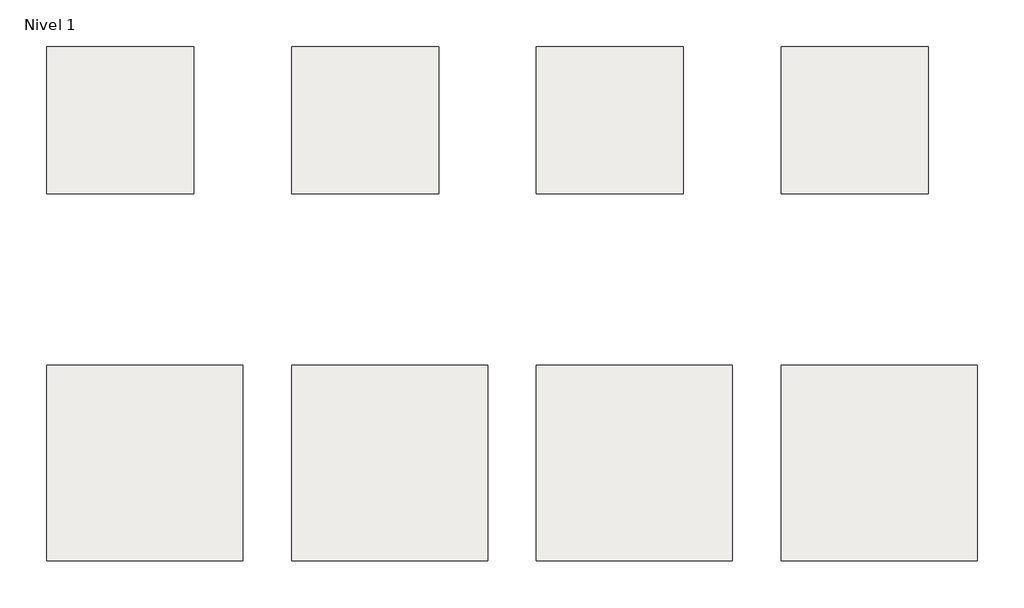
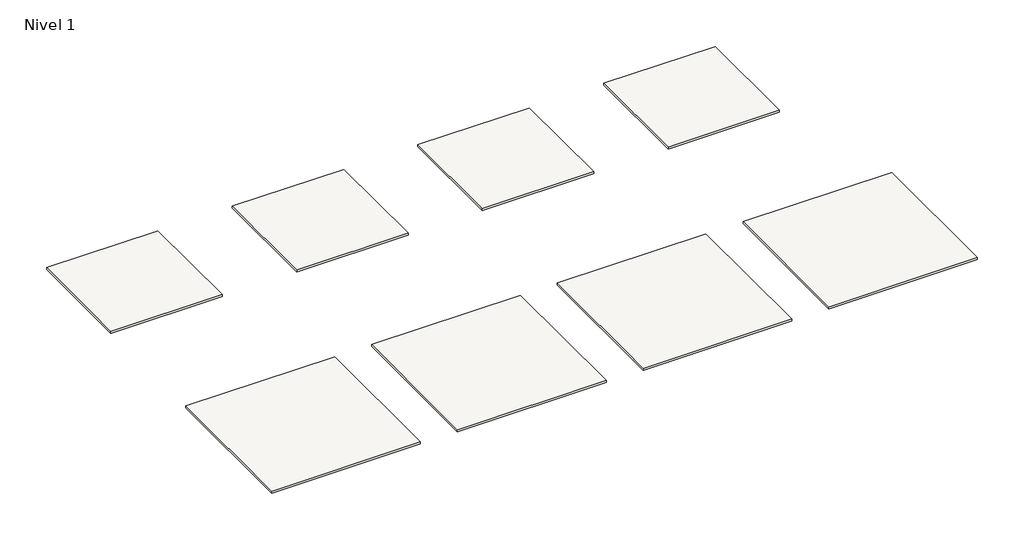
# One storey: 8 slabs.
"""IFC4 building model written with IfcOpenShell, lengths in millimetres."""

from ifc_helpers import new_model, si_unit, frame, origin, place, context, project, spatial, polyline, outline, extrude, element, save

model = new_model("IFC4")

# Units and contexts
model_context = context("Model", 3, world=origin())
ifc_project = project(units=[si_unit("LENGTHUNIT", "METRE", prefix="MILLI")], contexts=[model_context])

# Site, building, storey
site = spatial("IfcSite", under=ifc_project)
building = spatial("IfcBuilding", under=site)
storey = spatial("IfcBuildingStorey", under=building, Name="Nivel 1", Elevation=0.0)

# Slabs
placement = place(None, origin())
element("IfcSlab", 1, at=placement, inside=storey, context=model_context, shape_type="SweptSolid", body=[
    extrude(outline(polyline([(0.0, 600.0), (600.0, 600.0), (600.0, 0.0), (0.0, 0.0), (0.0, 600.0)])), frame((0.0, 0.0, -10.0), z_axis=(0.0, 0.0, 1.0), x_axis=(1.0, 0.0, 0.0)), (0.0, 0.0, 1.0), 10.0),
])
element("IfcSlab", 2, at=placement, inside=storey, context=model_context, shape_type="SweptSolid", body=[
    extrude(outline(polyline([(1000.0, 600.0), (1600.0, 600.0), (1600.0, 0.0), (1000.0, 0.0), (1000.0, 600.0)])), frame((0.0, 0.0, -10.0), z_axis=(0.0, 0.0, 1.0), x_axis=(1.0, 0.0, 0.0)), (0.0, 0.0, 1.0), 10.0),
])
element("IfcSlab", 3, at=placement, inside=storey, context=model_context, shape_type="SweptSolid", body=[
    extrude(outline(polyline([(2000.0, 600.0), (2600.0, 600.0), (2600.0, 0.0), (2000.0, 0.0), (2000.0, 600.0)])), frame((0.0, 0.0, -10.0), z_axis=(0.0, 0.0, 1.0), x_axis=(1.0, 0.0, 0.0)), (0.0, 0.0, 1.0), 10.0),
])
element("IfcSlab", 4, at=placement, inside=storey, context=model_context, shape_type="SweptSolid", body=[
    extrude(outline(polyline([(3000.0, 600.0), (3600.0, 600.0), (3600.0, 0.0), (3000.0, 0.0), (3000.0, 600.0)])), frame((0.0, 0.0, -10.0), z_axis=(0.0, 0.0, 1.0), x_axis=(1.0, 0.0, 0.0)), (0.0, 0.0, 1.0), 10.0),
])
element("IfcSlab", 5, at=placement, inside=storey, context=model_context, shape_type="SweptSolid", body=[
    extrude(outline(polyline([(0.0, -700.0), (800.0, -700.0), (800.0, -1500.0), (0.0, -1500.0), (0.0, -700.0)])), frame((0.0, 0.0, -11.3), z_axis=(0.0, 0.0, 1.0), x_axis=(1.0, 0.0, 0.0)), (0.0, 0.0, 1.0), 11.3),
])
element("IfcSlab", 6, at=placement, inside=storey, context=model_context, shape_type="SweptSolid", body=[
    extrude(outline(polyline([(1000.0, -700.0), (1800.0, -700.0), (1800.0, -1500.0), (1000.0, -1500.0), (1000.0, -700.0)])), frame((0.0, 0.0, -11.3), z_axis=(0.0, 0.0, 1.0), x_axis=(1.0, 0.0, 0.0)), (0.0, 0.0, 1.0), 11.3),
])
element("IfcSlab", 7, at=placement, inside=storey, context=model_context, shape_type="SweptSolid", body=[
    extrude(outline(polyline([(2000.0, -700.0), (2800.0, -700.0), (2800.0, -1500.0), (2000.0, -1500.0), (2000.0, -700.0)])), frame((0.0, 0.0, -11.3), z_axis=(0.0, 0.0, 1.0), x_axis=(1.0, 0.0, 0.0)), (0.0, 0.0, 1.0), 11.3),
])
element("IfcSlab", 8, at=placement, inside=storey, context=model_context, shape_type="SweptSolid", body=[
    extrude(outline(polyline([(3000.0, -700.0), (3800.0, -700.0), (3800.0, -1500.0), (3000.0, -1500.0), (3000.0, -700.0)])), frame((0.0, 0.0, -11.3), z_axis=(0.0, 0.0, 1.0), x_axis=(1.0, 0.0, 0.0)), (0.0, 0.0, 1.0), 11.3),
])

save(model, "model.ifc")
